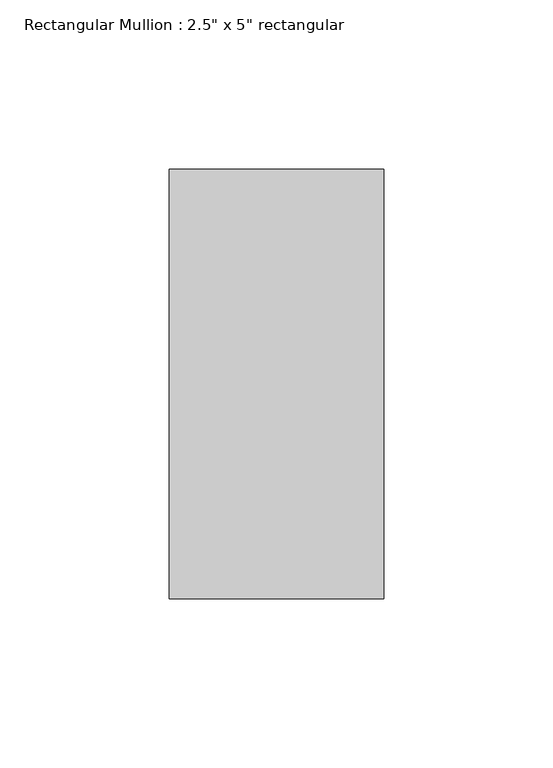
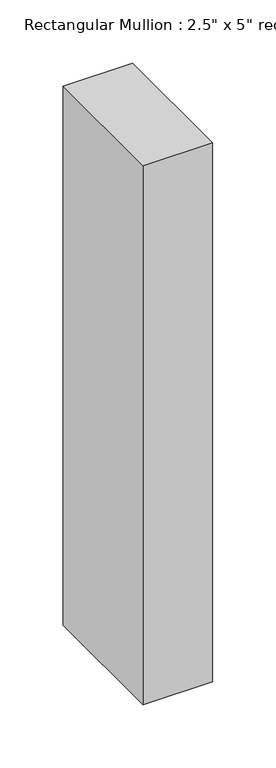
"""IFC4 building model written with IfcOpenShell, lengths in millimetres: member geometry."""

from ifc_helpers import new_model, si_unit, frame, origin, place, context, project, spatial, polyline, outline, extrude, source, transform, mapped, element, save


def member_8f80d2aa(model_context):
    return source(origin(), model_context, "Body", "SweptSolid", [
        extrude(outline(polyline([(0.0, 63.5), (0.0, -63.5), (-63.5, -63.5), (-63.5, 63.5), (0.0, 63.5)])), frame((0.0, 0.0, -520.7), z_axis=(0.0, 0.0, 1.0), x_axis=(1.0, 0.0, 0.0)), (0.0, 0.0, 1.0), 520.7),
    ])


if __name__ == "__main__":
    model = new_model("IFC4")
    model_context = context("Model", 3, world=origin())
    ifc_project = project(units=[si_unit("LENGTHUNIT", "METRE", prefix="MILLI")], contexts=[model_context])
    site = spatial("IfcSite", under=ifc_project)
    building = spatial("IfcBuilding", under=site)
    placement = place(None, origin())
    member_shape = member_8f80d2aa(model_context)
    element("IfcMember", 1, ObjectType="Rectangular Mullion : 2.5\" x 5\" rectangular", at=placement, inside=building, context=model_context, shape_type="MappedRepresentation", body=[
        mapped(member_shape, transform((0.0, 0.0, 0.0), x_axis=(1.0, 0.0, 0.0), y_axis=(0.0, 1.0, 0.0), z_axis=(0.0, 0.0, 1.0))),
    ])
    save(model, "model.ifc")
